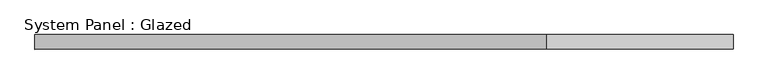
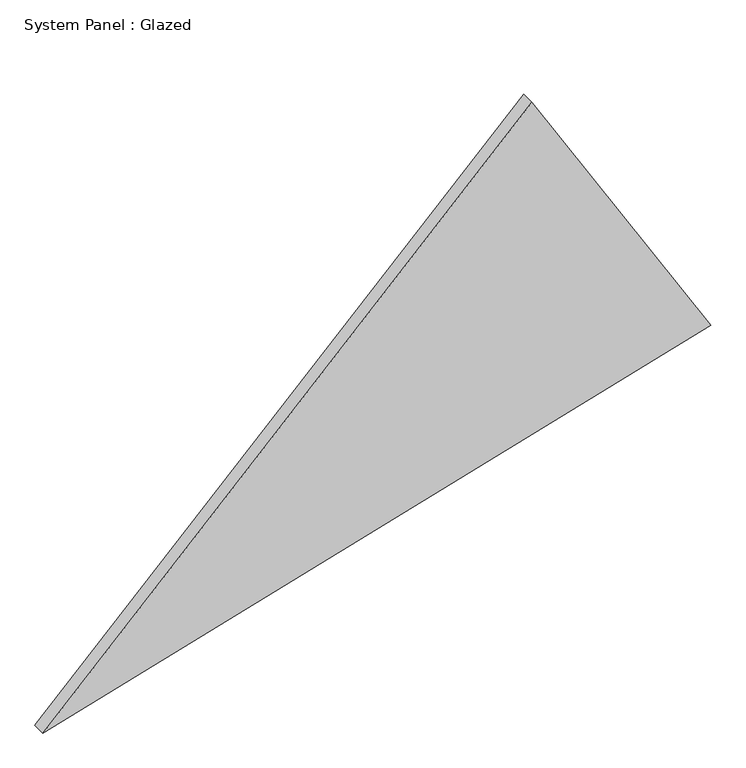
"""IFC4 building model written with IfcOpenShell, lengths in millimetres: plate geometry, System Panel : Glazed."""

from ifc_helpers import new_model, si_unit, frame, origin, place, context, project, spatial, polyline, outline, extrude, source, transform, mapped, element, save


def system_panel_glazed_33de321e(model_context):
    return source(origin(), model_context, "Body", "SweptSolid", [
        extrude(outline(polyline([(0.0, -724.959317), (428.1695598, 724.959317), (1076.5260105, 336.4948582), (0.0, -724.959317)])), frame((0.0, -36.8101563, 0.0), z_axis=(0.0, 1.0, 0.0), x_axis=(0.0, 0.0, 1.0)), (0.0, 0.0, 1.0), 30.1625),
    ])


if __name__ == "__main__":
    model = new_model("IFC4")
    model_context = context("Model", 3, world=origin())
    ifc_project = project(units=[si_unit("LENGTHUNIT", "METRE", prefix="MILLI")], contexts=[model_context])
    site = spatial("IfcSite", under=ifc_project)
    building = spatial("IfcBuilding", under=site)
    placement = place(None, origin())
    system_panel_glazed_shape = system_panel_glazed_33de321e(model_context)
    element("IfcPlate", 1, ObjectType="System Panel : Glazed", at=placement, inside=building, context=model_context, shape_type="MappedRepresentation", body=[
        mapped(system_panel_glazed_shape, transform((0.0, 0.0, 0.0), x_axis=(1.0, 0.0, 0.0), y_axis=(0.0, 1.0, 0.0), z_axis=(0.0, 0.0, 1.0))),
    ])
    save(model, "model.ifc")
